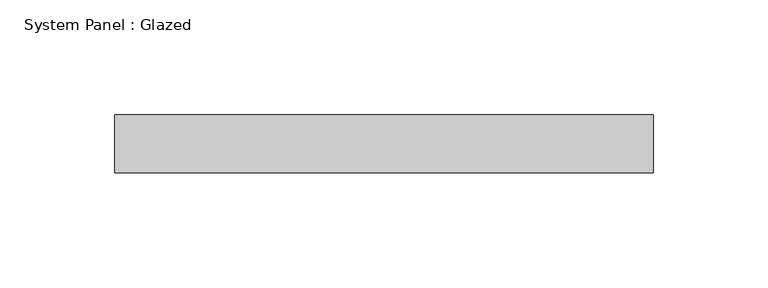
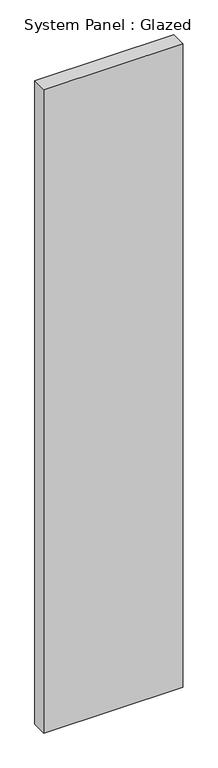
"""IFC4 building model written with IfcOpenShell, lengths in millimetres: plate geometry, System Panel : Glazed."""

from ifc_helpers import new_model, si_unit, origin, origin_with_axes, place, context, project, spatial, polyline, outline, extrude, source, transform, mapped, element, save


def system_panel_glazed_e7ee0434(model_context):
    return source(origin(), model_context, "Body", "SweptSolid", [
        extrude(outline(polyline([(117.475, -12.7), (-117.475, -12.7), (-117.475, 12.7), (117.475, 12.7), (117.475, -12.7)])), origin_with_axes(), (0.0, 0.0, 1.0), 1149.35),
    ])


if __name__ == "__main__":
    model = new_model("IFC4")
    model_context = context("Model", 3, world=origin())
    ifc_project = project(units=[si_unit("LENGTHUNIT", "METRE", prefix="MILLI")], contexts=[model_context])
    site = spatial("IfcSite", under=ifc_project)
    building = spatial("IfcBuilding", under=site)
    placement = place(None, origin())
    system_panel_glazed_shape = system_panel_glazed_e7ee0434(model_context)
    element("IfcPlate", 1, ObjectType="System Panel : Glazed", at=placement, inside=building, context=model_context, shape_type="MappedRepresentation", body=[
        mapped(system_panel_glazed_shape, transform((0.0, 0.0, 0.0), x_axis=(1.0, 0.0, 0.0), y_axis=(0.0, 1.0, 0.0), z_axis=(0.0, 0.0, 1.0))),
    ])
    save(model, "model.ifc")
